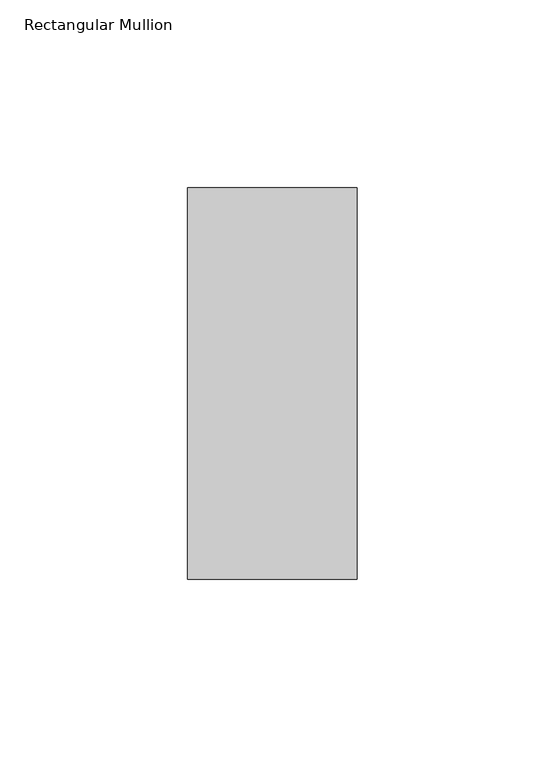
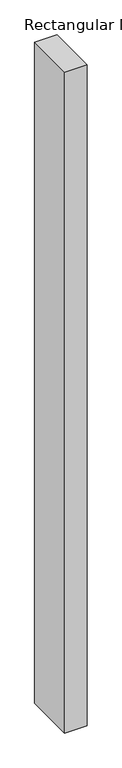
"""IFC4 building model written with IfcOpenShell, lengths in millimetres: member geometry, Rectangular Mullion."""

from ifc_helpers import new_model, si_unit, frame, origin, place, context, project, spatial, polyline, outline, extrude, source, transform, mapped, element, save


def rectangular_mullion_f118f33f(model_context):
    return source(origin(), model_context, "Body", "SweptSolid", [
        extrude(outline(polyline([(0.0, 67.525), (0.0, -36.525), (-45.0, -36.525), (-45.0, 67.525), (0.0, 67.525)])), frame((0.0, 0.0, -1397.4378906), z_axis=(0.0, 0.0, 1.0), x_axis=(1.0, 0.0, 0.0)), (0.0, 0.0, 1.0), 1397.4378906),
    ])


if __name__ == "__main__":
    model = new_model("IFC4")
    model_context = context("Model", 3, world=origin())
    ifc_project = project(units=[si_unit("LENGTHUNIT", "METRE", prefix="MILLI")], contexts=[model_context])
    site = spatial("IfcSite", under=ifc_project)
    building = spatial("IfcBuilding", under=site)
    placement = place(None, origin())
    rectangular_mullion_shape = rectangular_mullion_f118f33f(model_context)
    element("IfcMember", 1, ObjectType="Rectangular Mullion", at=placement, inside=building, context=model_context, shape_type="MappedRepresentation", body=[
        mapped(rectangular_mullion_shape, transform((0.0, 0.0, 0.0), x_axis=(1.0, 0.0, 0.0), y_axis=(0.0, 1.0, 0.0), z_axis=(0.0, 0.0, 1.0))),
    ])
    save(model, "model.ifc")
